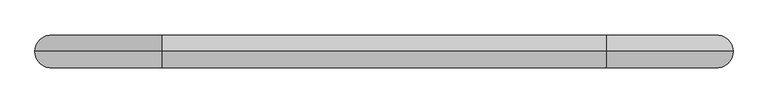
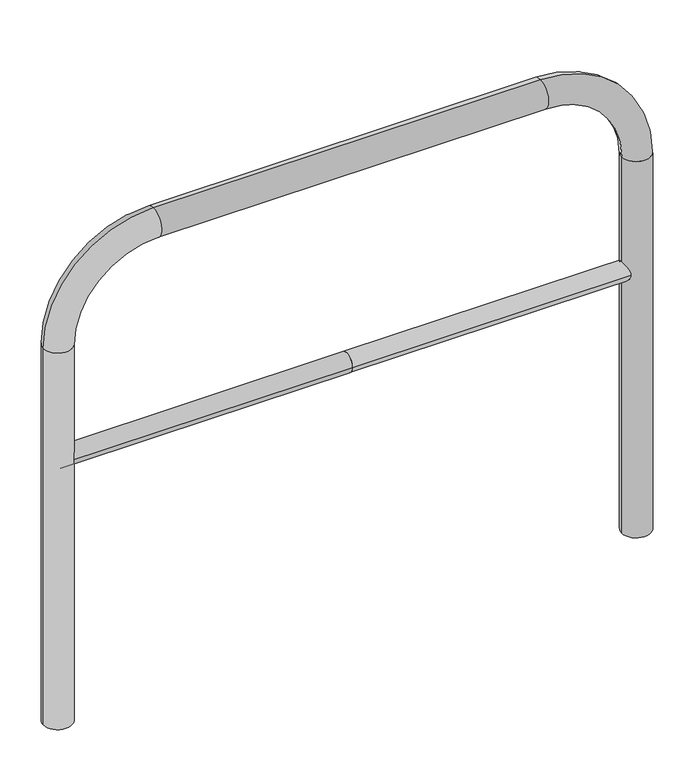
"""IFC4 building model written with IfcOpenShell, lengths in millimetres: proxy geometry."""

from ifc_helpers import new_model, si_unit, point, frame, frame_2d, origin, place, context, project, spatial, circle_curve, ellipse_curve, trimmed, segment, composite_curve, outline, extrude, source, transform, mapped, element, save
from ifc_brep_helpers import plane_surface, cylinder_surface, revolved_surface, advanced_brep


def generic_models_7b6c786c(model_context):
    return source(origin(), model_context, "Body", "SolidModel", [
        extrude(outline(composite_curve([segment(trimmed(circle_curve(frame_2d((0.0, 498.4778375)), 20.0), [point((-20.0, 498.4778375))], [point((20.0, 498.4778375))], False, "CARTESIAN"), True, "CONTINUOUS"), segment(trimmed(circle_curve(frame_2d((0.0, 498.4778375)), 20.0), [point((20.0, 498.4778375))], [point((-20.0, 498.4778375))], False, "CARTESIAN"), True, "CONTINUOUS")], self_intersect=False)), frame((-604.0152442, 0.0, 0.0), z_axis=(1.0, 0.0, 0.0), x_axis=(0.0, 1.0, 0.0)), (0.0, 0.0, 1.0), 604.0152442),
        extrude(outline(composite_curve([segment(trimmed(circle_curve(frame_2d((0.0, 498.4778375)), 20.0), [point((-20.0, 498.4778375))], [point((20.0, 498.4778375))], False, "CARTESIAN"), True, "CONTINUOUS"), segment(trimmed(circle_curve(frame_2d((0.0, 498.4778375)), 20.0), [point((20.0, 498.4778375))], [point((-20.0, 498.4778375))], False, "CARTESIAN"), True, "CONTINUOUS")], self_intersect=False)), frame((0.0, 0.0, 0.0), z_axis=(1.0, 0.0, 0.0), x_axis=(0.0, 1.0, 0.0)), (0.0, 0.0, 1.0), 604.0152442),
        advanced_brep(
        [(-574.0152442, 0.0, -80.0), (-634.0152442, 0.0, -80.0), (-574.0152442, 0.0, 750.0), (-634.0152442, 0.0, 750.0), (-404.0152442, 0.0, 980.0), (-404.0152442, 0.0, 920.0), (404.0152442, 0.0, 920.0), (404.0152442, 0.0, 980.0), (634.0152442, 0.0, 750.0), (574.0152442, 0.0, 750.0), (574.0152442, 0.0, -80.0), (634.0152442, 0.0, -80.0)],
        [
            (0, 1, circle_curve(frame((-604.0152442, 0.0, -80.0), z_axis=(0.0, 0.0, -1.0), x_axis=(-1.0, 0.0, 0.0)), 30.0)),
            (1, 0, circle_curve(frame((-604.0152442, 0.0, -80.0), z_axis=(0.0, 0.0, -1.0), x_axis=(-1.0, 0.0, 0.0)), 30.0)),
            (0, 2),
            (2, 3, circle_curve(frame((-604.0152442, 0.0, 750.0), z_axis=(0.0, 0.0, -1.0), x_axis=(-1.0, 0.0, 0.0)), 30.0)),
            (3, 1),
            (3, 2, circle_curve(frame((-604.0152442, 0.0, 750.0), z_axis=(0.0, 0.0, -1.0), x_axis=(-1.0, 0.0, 0.0)), 30.0)),
            (4, 3, circle_curve(frame((-404.0152442, 0.0, 750.0), z_axis=(0.0, -1.0, 0.0), x_axis=(-1.0, 0.0, 0.0)), 230.0)),
            (2, 5, circle_curve(frame((-404.0152442, 0.0, 750.0), z_axis=(0.0, 1.0, 0.0), x_axis=(-1.0, 0.0, 0.0)), 170.0)),
            (5, 4, circle_curve(frame((-404.0152442, 0.0, 950.0), z_axis=(-1.0, 0.0, 0.0), x_axis=(0.0, 0.0, 1.0)), 30.0)),
            (4, 5, circle_curve(frame((-404.0152442, 0.0, 950.0), z_axis=(-1.0, 0.0, 0.0), x_axis=(0.0, 0.0, 1.0)), 30.0)),
            (5, 6),
            (6, 7, circle_curve(frame((404.0152442, 0.0, 950.0), z_axis=(-1.0, 0.0, 0.0), x_axis=(0.0, 0.0, 1.0)), 30.0)),
            (7, 4),
            (7, 6, circle_curve(frame((404.0152442, 0.0, 950.0), z_axis=(-1.0, 0.0, 0.0), x_axis=(0.0, 0.0, 1.0)), 30.0)),
            (8, 7, circle_curve(frame((404.0152442, 0.0, 750.0), z_axis=(0.0, -1.0, 0.0), x_axis=(0.0, 0.0, 1.0)), 230.0)),
            (6, 9, circle_curve(frame((404.0152442, 0.0, 750.0), z_axis=(0.0, 1.0, 0.0), x_axis=(0.0, 0.0, 1.0)), 170.0)),
            (9, 8, circle_curve(frame((604.0152442, 0.0, 750.0), z_axis=(0.0, 0.0, 1.0), x_axis=(1.0, 0.0, 0.0)), 30.0)),
            (8, 9, circle_curve(frame((604.0152442, 0.0, 750.0), z_axis=(0.0, 0.0, 1.0), x_axis=(1.0, 0.0, 0.0)), 30.0)),
            (10, 11, circle_curve(frame((604.0152442, 0.0, -80.0), z_axis=(0.0, 0.0, -1.0), x_axis=(1.0, 0.0, 0.0)), 30.0)),
            (11, 10, circle_curve(frame((604.0152442, 0.0, -80.0), z_axis=(0.0, 0.0, -1.0), x_axis=(1.0, 0.0, 0.0)), 30.0)),
            (9, 10),
            (11, 8),
        ],
        [
            plane_surface(frame((-604.0152442, 0.0, -80.0), z_axis=(0.0, 0.0, -1.0), x_axis=(0.0, -1.0, 0.0))),
            cylinder_surface(frame((-604.0152442, 0.0, -80.0), z_axis=(0.0, 0.0, -1.0), x_axis=(-1.0, 0.0, 0.0)), 30.0),
            revolved_surface(trimmed(ellipse_curve(frame((-604.0152442, 0.0, 750.0), z_axis=(0.0, 0.0, -1.0), x_axis=(-1.0, 0.0, 0.0)), 30.0, 30.0), [point((-574.0152442, 0.0, 750.0))], [point((-634.0152442, 0.0, 750.0))], True, "CARTESIAN"), (-404.0152442, 0.0, 750.0), (0.0, 1.0, 0.0)),
            revolved_surface(trimmed(ellipse_curve(frame((-604.0152442, 0.0, 750.0), z_axis=(0.0, 0.0, -1.0), x_axis=(-1.0, 0.0, 0.0)), 30.0, 30.0), [point((-634.0152442, 0.0, 750.0))], [point((-574.0152442, 0.0, 750.0))], True, "CARTESIAN"), (-404.0152442, 0.0, 750.0), (0.0, 1.0, 0.0)),
            cylinder_surface(frame((-404.0152442, 0.0, 950.0), z_axis=(-1.0, 0.0, 0.0), x_axis=(0.0, 0.0, 1.0)), 30.0),
            revolved_surface(trimmed(ellipse_curve(frame((404.0152442, 0.0, 950.0), z_axis=(-1.0, 0.0, 0.0), x_axis=(0.0, 0.0, 1.0)), 30.0, 30.0), [point((404.0152442, 0.0, 920.0))], [point((404.0152442, 0.0, 980.0))], True, "CARTESIAN"), (404.0152442, 0.0, 750.0), (0.0, 1.0, 0.0)),
            revolved_surface(trimmed(ellipse_curve(frame((404.0152442, 0.0, 950.0), z_axis=(-1.0, 0.0, 0.0), x_axis=(0.0, 0.0, 1.0)), 30.0, 30.0), [point((404.0152442, 0.0, 980.0))], [point((404.0152442, 0.0, 920.0))], True, "CARTESIAN"), (404.0152442, 0.0, 750.0), (0.0, 1.0, 0.0)),
            plane_surface(frame((604.0152442, 0.0, -80.0), z_axis=(0.0, 0.0, -1.0), x_axis=(0.0, -1.0, 0.0))),
            cylinder_surface(frame((604.0152442, 0.0, 750.0), z_axis=(0.0, 0.0, 1.0), x_axis=(1.0, 0.0, 0.0)), 30.0),
        ],
        [
            (0, [[1, 2]]),
            (1, [[-1, 3, 4, 5]]),
            (1, [[-2, -5, 6, -3]]),
            (2, [[7, -4, 8, 9]]),
            (3, [[-8, -6, -7, 10]]),
            (4, [[-9, 11, 12, 13]]),
            (4, [[-10, -13, 14, -11]]),
            (5, [[15, -12, 16, 17]]),
            (6, [[-16, -14, -15, 18]]),
            (7, [[19, 20]]),
            (8, [[-17, 21, -20, 22]]),
            (8, [[-18, -22, -19, -21]]),
        ],
    ),
    ])


if __name__ == "__main__":
    model = new_model("IFC4")
    model_context = context("Model", 3, world=origin())
    ifc_project = project(units=[si_unit("LENGTHUNIT", "METRE", prefix="MILLI")], contexts=[model_context])
    site = spatial("IfcSite", under=ifc_project)
    building = spatial("IfcBuilding", under=site)
    placement = place(None, origin())
    generic_models_shape = generic_models_7b6c786c(model_context)
    element("IfcBuildingElementProxy", 1, Name="Generic Models", at=placement, inside=building, context=model_context, shape_type="MappedRepresentation", body=[
        mapped(generic_models_shape, transform((0.0, 0.0, 0.0), x_axis=(1.0, 0.0, 0.0), y_axis=(0.0, 1.0, 0.0), z_axis=(0.0, 0.0, 1.0))),
    ])
    save(model, "model.ifc")
